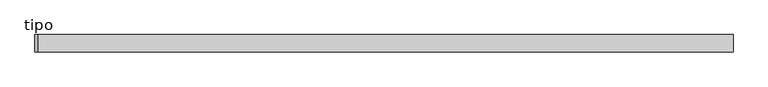
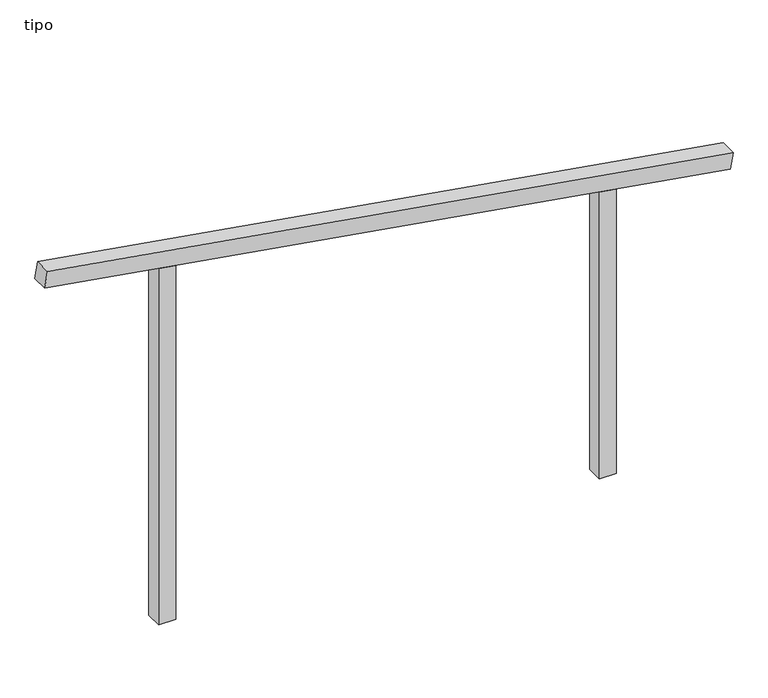
"""IFC4 building model written with IfcOpenShell, lengths in millimetres: proxy geometry, tipo."""

from ifc_helpers import new_model, si_unit, frame, origin, place, context, project, spatial, polyline, outline, extrude, source, transform, mapped, element, save


def tipo_a96e80f2(model_context):
    return source(origin(), model_context, "Body", "SweptSolid", [
        extrude(outline(polyline([(0.0, -4100.0000001), (0.0, 0.0), (100.0, 0.0), (100.0, -4100.0000001), (0.0, -4100.0000001)])), frame((-2022.1416735, -100.0, 2336.8130824), z_axis=(0.16429906459213228, 0.0, 0.9864105724160455), x_axis=(0.0, 1.0, 0.0)), (0.0, 0.0, 1.0), 100.0),
        extrude(outline(polyline([(1775.1405516, 1350.0), (1791.796807, 1250.0), (0.0, 1250.0), (0.0, 1350.0), (1775.1405516, 1350.0)])), frame((0.0, -100.0, 0.0), z_axis=(0.0, 1.0, 0.0), x_axis=(0.0, 0.0, 1.0)), (0.0, 0.0, 1.0), 100.0),
        extrude(outline(polyline([(2224.8594484, -1350.0), (0.0, -1350.0), (0.0, -1250.0), (2208.203193, -1250.0), (2224.8594484, -1350.0)])), frame((0.0, -100.0, 0.0), z_axis=(0.0, 1.0, 0.0), x_axis=(0.0, 0.0, 1.0)), (0.0, 0.0, 1.0), 100.0),
    ])


if __name__ == "__main__":
    model = new_model("IFC4")
    model_context = context("Model", 3, world=origin())
    ifc_project = project(units=[si_unit("LENGTHUNIT", "METRE", prefix="MILLI")], contexts=[model_context])
    site = spatial("IfcSite", under=ifc_project)
    building = spatial("IfcBuilding", under=site)
    placement = place(None, origin())
    tipo_shape = tipo_a96e80f2(model_context)
    element("IfcBuildingElementProxy", 1, Name="tipo", ObjectType="tipo", at=placement, inside=building, context=model_context, shape_type="MappedRepresentation", body=[
        mapped(tipo_shape, transform((0.0, 0.0, 0.0), x_axis=(1.0, 0.0, 0.0), y_axis=(0.0, 1.0, 0.0), z_axis=(0.0, 0.0, 1.0))),
    ])
    save(model, "model.ifc")
